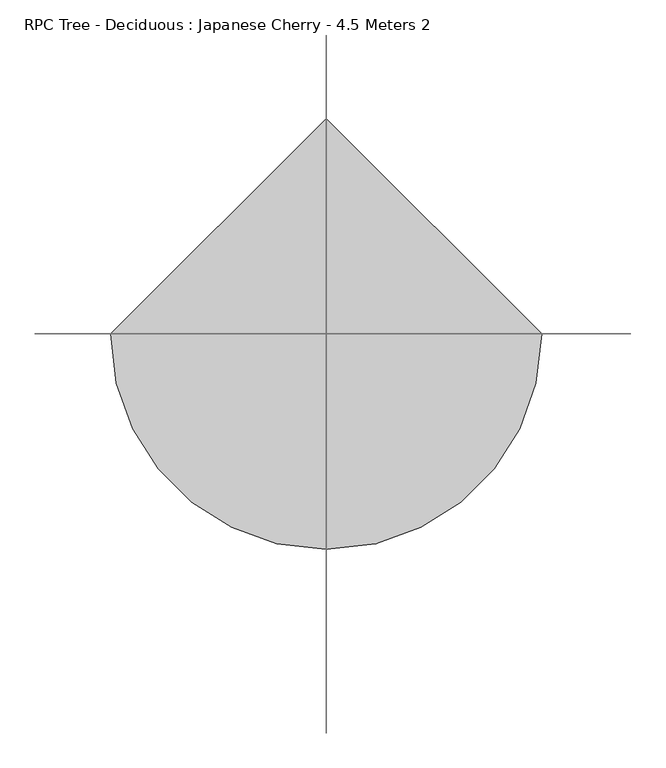
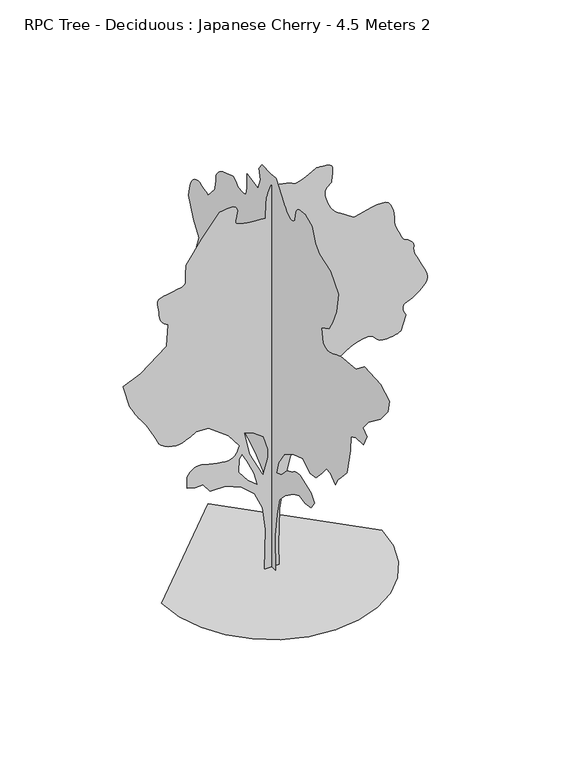
"""IFC4 building model written with IfcOpenShell, lengths in millimetres: geographic element geometry, RPC Tree - Deciduous : Japanese Cherry - 4.5 Meters 2."""

from ifc_helpers import new_model, si_unit, origin, place, context, project, spatial, triangles, source, transform, mapped, element, save


def rpc_tree_deciduous_japanese_cherry_4_5_meters_2_7aaeb41d(model_context):
    return source(origin(), model_context, "Body", "Tessellation", [
        triangles([(-0.0027587, 74.5725603, 0.00586), (-0.0027587, -72.0943095, 0.00586), (-0.0027587, -58.7610481, 393.3378007), (-0.0027587, -98.7608322, 653.338028), (-0.0027587, -145.4276149, 853.3381748), (-0.0027587, -252.0952047, 966.670792), (-0.0027587, -412.0928332, 1080.00588), (-0.0027587, -518.7604139, 1126.6709095), (-0.0027587, -625.428031, 1106.6708948), (-0.0027587, -738.7605755, 1126.6709095), (-0.0027587, -798.7606195, 1213.3385118), (-0.0027587, -738.7605755, 1293.3384979), (-0.0027587, -525.4279212, 1366.6710857), (-0.0027587, -506.885412, 1365.1761189), (-0.0027587, -488.5178922, 1363.2711479), (-0.0027587, -470.5003873, 1360.5486397), (-0.0027587, -453.0078504, 1356.6035316), (-0.0027587, -436.2153434, 1351.0261105), (-0.0027587, -420.2953485, 1343.4060814), (-0.0027587, -405.4278331, 1333.3385273), (-0.0027587, -390.5578105, 1322.4935497), (-0.0027587, -374.6402864, 1312.6960373), (-0.0027587, -357.8477795, 1303.7760876), (-0.0027587, -340.3552789, 1295.553479), (-0.0027587, -322.337774, 1287.8585999), (-0.0027587, -303.9702541, 1280.5110832), (-0.0027587, -285.4277268, 1273.3385559), (-0.0027587, -185.427399, 1166.6709389), (-0.0027587, -85.4275708, 1126.6709095), (-0.0027587, -125.4276002, 1266.671085), (-0.0027587, -238.7606988, 1433.3386734), (-0.0027587, -398.7603258, 1533.3386742), (-0.0027587, -585.4279653, 1593.3387909), (-0.0027587, -718.7605608, 1506.6712612), (-0.0027587, -825.4281778, 1520.0062031), (-0.0027587, -938.7607224, 1640.0038204), (-0.0027587, -1025.4283247, 1746.6714375), (-0.0027587, -1105.4259127, 1740.0039665), (-0.0027587, -1192.0934423, 1660.0063786), (-0.0027587, -1245.4260155, 1753.3389084), (-0.0027587, -1305.4259869, 1820.0040253), (-0.0027587, -1412.0936039, 1933.3391132), (-0.0027587, -1478.7587208, 2233.3392609), (-0.0027587, -1485.4261917, 2393.3393784), (-0.0027587, -1578.7613377, 2433.336937), (-0.0027587, -1725.426368, 2446.6718788), (-0.0027587, -1785.4264847, 2573.3269386), (-0.0027587, -1712.0938969, 2633.3270554), (-0.0027587, -1812.0938976, 2753.3272888), (-0.0027587, -2038.759132, 2926.6774635), (-0.0027587, -2185.4267784, 3100.0026398), (-0.0027587, -2212.0917206, 3240.0025246), (-0.0027587, -2045.4266029, 3333.3276421), (-0.0027587, -1738.758839, 3346.6776993), (-0.0027587, -1585.4263378, 3226.6774658), (-0.0027587, -1292.0935158, 3193.3274666), (-0.0027587, -1252.2485641, 3177.7025482), (-0.0027587, -1213.3385118, 3162.6025978), (-0.0027587, -1176.2909185, 3148.5525833), (-0.0027587, -1142.0459158, 3136.0774727), (-0.0027587, -1111.5309179, 3125.7025246), (-0.0027587, -1085.6808969, 3117.9524162), (-0.0027587, -1065.4258833, 3113.3274078), (-0.0027587, -1047.2933418, 3113.0774231), (-0.0027587, -1028.108321, 3117.0274727), (-0.0027587, -1009.2758223, 3123.6526497), (-0.0027587, -992.1908186, 3131.4524643), (-0.0027587, -978.255768, 3138.9025909), (-0.0027587, -968.8682596, 3144.4775414), (-0.0027587, -965.4258099, 3146.6774071), (-0.0027587, -932.0932514, 3306.6778152), (-0.0027587, -1072.0933542, 3380.0027), (-0.0027587, -1138.7609419, 3486.6778748), (-0.0027587, -1212.093457, 3660.003051), (-0.0027587, -1252.0934864, 3880.0029945), (-0.0027587, -1098.7609125, 4053.3281708), (-0.0027587, -898.760693, 4126.6783447), (-0.0027587, -818.7606342, 4200.0035202), (-0.0027587, -758.7605902, 4360.0036377), (-0.0027587, -618.7604874, 4413.3285805), (-0.0027587, -595.9604982, 4413.2285866), (-0.0027587, -573.5129585, 4412.5536278), (-0.0027587, -551.7629416, 4410.70345), (-0.0027587, -531.0629333, 4407.1286682), (-0.0027587, -511.7629123, 4401.17845), (-0.0027587, -494.2128934, 4392.3534073), (-0.0027587, -478.7603846, 4380.0035797), (-0.0027587, -466.2228868, 4364.5536507), (-0.0027587, -456.8353784, 4347.0035591), (-0.0027587, -450.0728551, 4327.7035744), (-0.0027587, -445.4078419, 4307.0033844), (-0.0027587, -442.3178415, 4285.2535492), (-0.0027587, -440.2753427, 4262.803466), (-0.0027587, -438.7603552, 4240.0034042), (-0.0027587, -427.2553525, 4227.3033073), (-0.0027587, -415.2803204, 4215.6034401), (-0.0027587, -402.3753304, 4205.9034508), (-0.0027587, -388.070317, 4199.1532814), (-0.0027587, -371.9003011, 4196.3784508), (-0.0027587, -353.3952896, 4198.553318), (-0.0027587, -332.0927745, 4206.6784035), (-0.0027587, -310.9852693, 4218.4782646), (-0.0027587, -293.0277353, 4231.0033722), (-0.0027587, -277.6927156, 4244.1034447), (-0.0027587, -264.4552061, 4257.6784882), (-0.0027587, -252.7927094, 4271.5785118), (-0.0027587, -242.1814384, 4285.7285202), (-0.0027587, -232.0939364, 4300.003521), (-0.0027587, -138.7608616, 4426.6786377), (-0.0027587, -78.7608175, 4500.0035225), (-0.0027587, 21.2393172, 4493.3286392), (-0.0027587, 181.2391554, 4500.0035225), (-0.0027587, 241.2389451, 4420.0034637), (-0.0027587, 214.5724224, 4306.6784042), (-0.0027587, 261.2402133, 4180.0032875), (-0.0027587, 467.9053785, 4220.0034622), (-0.0027587, 467.9053785, 4073.3284035), (-0.0027587, 469.4403866, 4050.6283356), (-0.0027587, 471.6178699, 4028.7032204), (-0.0027587, 475.0778695, 4008.4282951), (-0.0027587, 480.4628969, 3990.6282188), (-0.0027587, 488.4103769, 3976.0532364), (-0.0027587, 499.5679081, 3965.5782944), (-0.0027587, 514.5729152, 3960.0030533), (-0.0027587, 531.7154371, 3957.9281799), (-0.0027587, 548.8579591, 3957.2532211), (-0.0027587, 566.0004447, 3957.7281921), (-0.0027587, 583.1429667, 3959.1531052), (-0.0027587, 600.2854886, 3961.2782661), (-0.0027587, 617.4304813, 3963.853109), (-0.0027587, 634.5730396, 3966.6782272), (-0.0027587, 650.2955538, 3982.2281502), (-0.0027587, 666.0780207, 3996.928125), (-0.0027587, 681.9780676, 4009.8782066), (-0.0027587, 698.0505604, 4020.2031578), (-0.0027587, 714.3580679, 4027.0283226), (-0.0027587, 730.9580721, 4029.4781731), (-0.0027587, 747.9055841, 4026.678344), (-0.0027587, 927.9057163, 3966.6782272), (-0.0027587, 953.4457998, 3949.4781143), (-0.0027587, 977.9358021, 3931.9283134), (-0.0027587, 1000.3257872, 3913.6782646), (-0.0027587, 1019.5682899, 3894.3782799), (-0.0027587, 1034.6108311, 3873.6780899), (-0.0027587, 1044.4058727, 3851.2280067), (-0.0027587, 1047.9058771, 3826.6780518), (-0.0027587, 1048.6833733, 3801.5281334), (-0.0027587, 1050.8608566, 3777.4531494), (-0.0027587, 1054.2033852, 3754.253112), (-0.0027587, 1058.4783422, 3731.7530319), (-0.0027587, 1063.4533293, 3709.7529213), (-0.0027587, 1068.895875, 3688.1280785), (-0.0027587, 1074.570892, 3666.6779343), (-0.0027587, 1201.238451, 3526.6777588), (-0.0027587, 1239.7609543, 3543.5528915), (-0.0027587, 1277.9935043, 3558.9278252), (-0.0027587, 1315.641061, 3571.2779434), (-0.0027587, 1352.4135258, 3579.077758), (-0.0027587, 1388.0210907, 3580.8029434), (-0.0027587, 1422.1711864, 3574.9530098), (-0.0027587, 1454.5712437, 3560.0027596), (-0.0027587, 1482.6961258, 3536.9027161), (-0.0027587, 1504.8736965, 3508.1777252), (-0.0027587, 1522.093721, 3474.8027275), (-0.0027587, 1535.3487259, 3437.7026665), (-0.0027587, 1545.6312378, 3397.8027763), (-0.0027587, 1553.9313126, 3356.02771), (-0.0027587, 1561.2387154, 3313.3277), (-0.0027587, 1474.5711857, 3086.677581), (-0.0027587, 1367.9060394, 2940.0022316), (-0.0027587, 1454.5712437, 2700.0020554), (-0.0027587, 1374.5710396, 2573.3269386), (-0.0027587, 1341.9185268, 2561.8270592), (-0.0027587, 1310.4910847, 2549.851918), (-0.0027587, 1281.5110222, 2536.952124), (-0.0027587, 1256.2035553, 2522.6521248), (-0.0027587, 1235.7959347, 2506.4769493), (-0.0027587, 1221.5110508, 2487.9745903), (-0.0027587, 1214.5709948, 2466.6721115), (-0.0027587, 1212.2984591, 2444.0095413), (-0.0027587, 1211.0734612, 2421.694479), (-0.0027587, 1210.7234825, 2399.6744568), (-0.0027587, 1211.0734612, 2377.8869785), (-0.0027587, 1211.9484804, 2356.2718735), (-0.0027587, 1213.1734783, 2334.7768192), (-0.0027587, 1214.5709948, 2313.3368488), (-0.0027587, 1187.9059799, 2206.6718479), (-0.0027587, 1001.2383041, 2226.6717899), (-0.0027587, 985.728277, 2195.3792233), (-0.0027587, 971.4433205, 2164.9017231), (-0.0027587, 959.6057436, 2136.0592976), (-0.0027587, 951.4432331, 2109.6642517), (-0.0027587, 948.1782434, 2086.536739), (-0.0027587, 951.0357725, 2067.486739), (-0.0027587, 961.2382748, 2053.3392014), (-0.0027587, 977.7782536, 2041.5992203), (-0.0027587, 998.0507807, 2029.6266953), (-0.0027587, 1020.8883402, 2018.0041489), (-0.0027587, 1045.1258142, 2007.3141037), (-0.0027587, 1069.5958323, 1998.1390823), (-0.0027587, 1093.133349, 1991.0640781), (-0.0027587, 1114.5709213, 1986.6716137), (-0.0027587, 1133.9884134, 1982.8416149), (-0.0027587, 1152.3558969, 1977.2640484), (-0.0027587, 1169.8484339, 1970.229158), (-0.0027587, 1186.6409409, 1962.0266064), (-0.0027587, 1202.9109507, 1952.9491081), (-0.0027587, 1218.828511, 1943.2890873), (-0.0027587, 1234.5710094, 1933.3391132), (-0.0027587, 1387.9061268, 2013.339172), (-0.0027587, 1431.9861397, 2024.5916828), (-0.0027587, 1474.8436981, 2034.7965832), (-0.0027587, 1515.2512608, 2042.9016117), (-0.0027587, 1551.9862278, 2047.8566872), (-0.0027587, 1583.8238194, 2048.6141991), (-0.0027587, 1609.5388195, 2044.1266823), (-0.0027587, 1627.9038322, 2033.339114), (-0.0027587, 1640.0538174, 2017.6916679), (-0.0027587, 1648.351276, 1999.5965515), (-0.0027587, 1653.4438431, 1979.4615887), (-0.0027587, 1655.9713051, 1957.6915512), (-0.0027587, 1656.5738846, 1934.6990593), (-0.0027587, 1655.8938389, 1910.8890301), (-0.0027587, 1654.5713905, 1886.6714676), (-0.0027587, 1631.6563648, 1862.5890713), (-0.0027587, 1608.3913605, 1839.7339256), (-0.0027587, 1584.4262535, 1819.3239796), (-0.0027587, 1559.4112106, 1802.5889545), (-0.0027587, 1532.9962532, 1790.7539211), (-0.0027587, 1504.833728, 1785.0390083), (-0.0027587, 1474.5711857, 1786.6714668), (-0.0027587, 1442.5211071, 1793.7065025), (-0.0027587, 1410.0036152, 1802.1439236), (-0.0027587, 1378.1860806, 1810.1114605), (-0.0027587, 1348.2360191, 1815.7489071), (-0.0027587, 1321.3160053, 1817.1864647), (-0.0027587, 1298.5960258, 1812.5614563), (-0.0027587, 1281.2385098, 1800.0039379), (-0.0027587, 1268.1185257, 1783.8339947), (-0.0027587, 1257.0985588, 1769.4114738), (-0.0027587, 1247.8260143, 1756.448893), (-0.0027587, 1239.9560005, 1744.6513573), (-0.0027587, 1233.1334518, 1733.7264427), (-0.0027587, 1227.0110058, 1723.3863762), (-0.0027587, 1221.2385384, 1713.338879), (-0.0027587, 1243.9585178, 1710.3264175), (-0.0027587, 1265.8635761, 1706.3813095), (-0.0027587, 1286.1360306, 1700.5688736), (-0.0027587, 1303.9584892, 1691.958934), (-0.0027587, 1318.5160309, 1679.6163734), (-0.0027587, 1328.993589, 1662.608836), (-0.0027587, 1334.5710102, 1640.0038204), (-0.0027587, 1336.8460167, 1613.5138676), (-0.0027587, 1338.0710873, 1585.6212387), (-0.0027587, 1338.4210659, 1556.56371), (-0.0027587, 1338.0710873, 1526.5736801), (-0.0027587, 1337.1961407, 1495.8836929), (-0.0027587, 1335.9710701, 1464.7286179), (-0.0027587, 1334.5710102, 1433.3386734), (-0.0027587, 1300.3260075, 1407.8185741), (-0.0027587, 1266.3110779, 1383.4636654), (-0.0027587, 1232.7635616, 1361.4436432), (-0.0027587, 1199.9160027, 1342.9210819), (-0.0027587, 1168.0034157, 1329.0636429), (-0.0027587, 1137.2534031, 1321.0360806), (-0.0027587, 1107.9059212, 1320.0060562), (-0.0027587, 1078.5558958, 1323.638538), (-0.0027587, 1047.808354, 1328.6735504), (-0.0027587, 1015.8932962, 1334.873608), (-0.0027587, 983.0458099, 1342.0060215), (-0.0027587, 949.4982937, 1349.8411537), (-0.0027587, 915.4857622, 1358.1386124), (-0.0027587, 881.238216, 1366.6710857), (-0.0027587, 681.2380692, 1320.0060562), (-0.0027587, 447.9053638, 1200.0059681), (-0.0027587, 314.5727683, 1126.6709095), (-0.0027587, 161.2391225, 1000.0058212), (-0.0027587, 67.905807, 806.6731453), (-0.0027587, 41.2392842, 533.3379398), (-0.0027587, 67.905807, 260.0052052), (78.9470616, 0.0002511, 0.0), (-81.0528197, 0.0002511, 0.0), (-67.7195538, 0.0002197, 453.3328669), (-101.05258, 0.0001988, 713.3330578), (-187.7194103, 0.0001884, 899.9982628), (-327.7202579, 0.0001884, 1026.6658218), (-501.0529192, 0.0001779, 1099.9984097), (-667.7180368, 0.0001779, 1099.9984097), (-747.720639, 0.0001779, 1199.9984831), (-834.3856979, 0.0001779, 1199.9984831), (-921.0532276, 0.0001779, 1219.9984978), (-921.0532276, 0.0001674, 1346.6660568), (-903.7932346, 0.0001674, 1369.3085701), (-885.8332117, 0.0001674, 1390.6686035), (-866.4756723, 0.000157, 1409.4636772), (-845.0181885, 0.000157, 1424.411166), (-820.7606575, 0.000157, 1434.2261192), (-793.0056656, 0.000157, 1437.6286732), (-761.0531101, 0.000157, 1433.3335865), (-723.1130568, 0.000157, 1423.7311203), (-679.5755253, 0.000157, 1412.8461742), (-633.0054754, 0.0001674, 1401.8461189), (-585.970483, 0.0001674, 1391.8936741), (-541.032928, 0.0001674, 1384.1586811), (-500.7604225, 0.0001674, 1379.803569), (-467.71789, 0.0001674, 1379.9986153), (-441.4803563, 0.0001674, 1385.9661289), (-419.4403499, 0.0001674, 1397.5311207), (-400.8978407, 0.000157, 1413.7610893), (-385.1527988, 0.000157, 1433.7212082), (-371.5103176, 0.000157, 1456.4811562), (-359.2652802, 0.000157, 1481.1062519), (-347.7202726, 0.000157, 1506.6661743), (-467.71789, 0.0001465, 1666.6662918), (-687.7180515, 0.000136, 1826.6664093), (-821.0531542, 0.000136, 1833.3314095), (-842.5681927, 0.000136, 1820.5039948), (-864.6081991, 0.000136, 1807.851424), (-887.7006849, 0.000136, 1795.5489773), (-912.3632057, 0.000136, 1783.7688824), (-939.1282871, 0.000136, 1772.6913609), (-968.5158102, 0.000136, 1762.4864605), (-1001.0532864, 0.0001465, 1753.3313507), (-1038.4858126, 0.0001465, 1750.1639568), (-1080.1183731, 0.0001465, 1756.5589153), (-1122.8009422, 0.000136, 1770.6488983), (-1163.385965, 0.000136, 1790.5713741), (-1198.7209448, 0.000136, 1814.4590149), (-1225.6584721, 0.000136, 1840.4465275), (-1241.0509918, 0.000136, 1866.6664387), (-1254.4834568, 0.000136, 1899.3565945), (-1275.8434902, 0.0001256, 1942.8940533), (-1302.4510231, 0.0001256, 1992.6141289), (-1331.6261318, 0.0001256, 2043.8466122), (-1360.6836605, 0.0001256, 2091.9317585), (-1386.9410694, 0.0001151, 2132.204155), (-1407.7185802, 0.0001151, 2159.9992607), (-1425.2510857, 0.0001151, 2182.1367176), (-1443.4812229, 0.0001151, 2208.1242302), (-1462.2962082, 0.0001151, 2237.3167797), (-1481.576136, 0.0001151, 2269.0742889), (-1501.2061878, 0.0001046, 2302.7592968), (-1521.0712543, 0.0001046, 2337.7244591), (-1541.0512848, 0.0001046, 2373.3318787), (-1614.3863434, 9.42e-05, 2626.6771706), (-1421.0511967, 8.37e-05, 2706.6772293), (-1141.0533892, 7.32e-05, 2926.6774635), (-1127.7183746, 5.23e-05, 3166.6526413), (-1147.5834412, 5.23e-05, 3181.0776329), (-1166.6309704, 5.23e-05, 3196.1775833), (-1184.0459684, 5.23e-05, 3212.677739), (-1199.0109707, 5.23e-05, 3231.2774757), (-1210.7109833, 5.23e-05, 3252.677623), (-1218.3310123, 5.23e-05, 3277.5775566), (-1221.0535206, 5.23e-05, 3306.6525261), (-1223.4635479, 4.19e-05, 3339.402562), (-1228.9034775, 4.19e-05, 3373.552803), (-1234.6960018, 4.19e-05, 3407.2527809), (-1238.155965, 4.19e-05, 3438.6029022), (-1236.6009727, 4.19e-05, 3465.7526985), (-1227.3484852, 4.19e-05, 3486.8278656), (-1207.7185061, 4.19e-05, 3500.0029335), (-1173.335939, 4.19e-05, 3508.2777191), (-1126.1258846, 3.14e-05, 3516.4528015), (-1072.8508661, 3.14e-05, 3525.1778503), (-1020.2758049, 3.14e-05, 3535.2278183), (-975.1632969, 3.14e-05, 3547.2279579), (-944.2782635, 3.14e-05, 3561.9279327), (-934.3857714, 3.14e-05, 3580.0029922), (-936.4657316, 3.14e-05, 3601.7528275), (-937.1457773, 3.14e-05, 3626.6530518), (-936.6582344, 3.14e-05, 3654.1778252), (-935.2407337, 3.14e-05, 3683.7780533), (-933.1232758, 2.09e-05, 3714.9778931), (-930.5382591, 2.09e-05, 3747.2279594), (-927.7182278, 2.09e-05, 3780.0029938), (-761.0531101, 1.05e-05, 4020.00317), (-567.7204705, -1.05e-05, 4260.0033463), (-526.5729095, -1.05e-05, 4266.8535095), (-487.1179049, -1.05e-05, 4272.0284843), (-451.042854, -1.05e-05, 4273.8283745), (-420.0428567, -1.05e-05, 4270.5285759), (-395.80531, -1.05e-05, 4260.4783173), (-380.0228067, -1.05e-05, 4241.9782837), (-374.3852875, 0.0, 4213.3282883), (-377.165314, 0.0, 4181.0535141), (-383.5603088, 0.0, 4152.6032158), (-390.6553336, 0.0, 4127.8032761), (-395.5328339, 0.0, 4106.3534225), (-395.2803057, 0.0, 4088.0533768), (-386.9803036, 0.0, 4072.6781525), (-367.7202873, 0.0, 4060.0033447), (-338.5077899, 0.0, 4049.7283905), (-302.995241, 0.0, 4041.5783066), (-262.2377179, 1.05e-05, 4035.1531174), (-217.282177, 1.05e-05, 4030.1531319), (-169.1771373, 1.05e-05, 4026.1783745), (-118.9730978, 1.05e-05, 4022.9032837), (-67.7195538, 1.05e-05, 4020.00317), (-61.0525507, 0.0, 4200.0035202), (-59.4975493, -1.05e-05, 4225.5284157), (-55.1437952, -1.05e-05, 4250.678334), (-48.4577889, -1.05e-05, 4275.5535599), (-39.9057809, -1.05e-05, 4300.2035088), (-29.954274, -1.05e-05, 4324.6784683), (-19.070066, -1.05e-05, 4349.0284355), (-7.719256, -1.05e-05, 4373.3284058), (37.7812808, -1.05e-05, 4364.72864), (81.9990646, -1.05e-05, 4356.0285896), (123.6511007, -1.05e-05, 4347.103553), (161.4548797, -1.05e-05, 4337.8035393), (194.127413, -1.05e-05, 4328.053553), (220.3859302, -1.05e-05, 4317.7036034), (238.9474425, -1.05e-05, 4306.6534058), (263.1077047, -1.05e-05, 4303.4286026), (302.4252358, -1.05e-05, 4313.503569), (350.0252918, -1.05e-05, 4332.2035904), (399.0253169, -1.05e-05, 4354.8786598), (442.5428641, -1.05e-05, 4376.8284828), (473.6978665, -2.09e-05, 4393.4286324), (485.6129096, -2.09e-05, 4400.0035217), (495.2154121, -2.09e-05, 4400.2035095), (519.9779268, -2.09e-05, 4399.9285263), (553.8354532, -2.09e-05, 4397.9036499), (590.7254617, -2.09e-05, 4392.8536674), (624.5830244, -1.05e-05, 4383.4786583), (649.3455391, -1.05e-05, 4368.5034096), (658.9480053, -1.05e-05, 4346.6535805), (658.5580582, -1.05e-05, 4321.3283821), (657.4705519, -1.05e-05, 4296.7034317), (655.7980522, -1.05e-05, 4272.6784447), (653.6605373, -1.05e-05, 4249.1034302), (651.1730438, -1.05e-05, 4225.8783943), (648.4505356, 0.0, 4202.8783447), (645.6129908, 0.0, 4180.0032875), (628.6255102, 0.0, 4167.0034996), (612.5730017, 0.0, 4153.2784653), (598.3829885, 0.0, 4138.0032349), (586.992986, 0.0, 4120.4784325), (579.3354592, 0.0, 4099.9282333), (576.342982, 0.0, 4075.5782661), (578.9479829, 0.0, 4046.6532875), (586.2154899, 1.05e-05, 4014.6032089), (596.2829713, 1.05e-05, 3981.953167), (608.6854846, 1.05e-05, 3949.7530975), (622.9504932, 1.05e-05, 3919.0782257), (638.6155254, 1.05e-05, 3890.9781967), (655.2155296, 1.05e-05, 3866.4782387), (672.280549, 2.09e-05, 3846.6529953), (692.3380457, 2.09e-05, 3828.553228), (717.6455853, 2.09e-05, 3808.6779877), (747.3231342, 2.09e-05, 3787.3531265), (780.5031584, 2.09e-05, 3764.8780449), (816.3031534, 2.09e-05, 3741.5030182), (853.853187, 2.09e-05, 3717.5780251), (892.2807106, 2.09e-05, 3693.3280518), (959.140801, 2.09e-05, 3711.6280975), (1024.3108057, 2.09e-05, 3728.2279564), (1086.098386, 2.09e-05, 3741.4280228), (1142.8159269, 2.09e-05, 3749.5781067), (1192.7659304, 2.09e-05, 3750.9530228), (1234.2634701, 2.09e-05, 3743.8781639), (1265.6135914, 2.09e-05, 3726.6530525), (1288.19855, 2.09e-05, 3698.6530174), (1305.0685959, 3.14e-05, 3662.6028923), (1317.0411209, 3.14e-05, 3621.8780525), (1324.9335171, 3.14e-05, 3579.8779999), (1329.5585255, 3.14e-05, 3539.9778191), (1331.7360088, 4.19e-05, 3505.5528854), (1332.2810337, 4.19e-05, 3480.0027008), (1337.451067, 4.19e-05, 3452.7529106), (1350.7835381, 4.19e-05, 3414.6526199), (1369.0136753, 4.19e-05, 3371.2026558), (1388.8785965, 5.23e-05, 3327.8526855), (1407.1112045, 5.23e-05, 3290.1026642), (1420.4436756, 5.23e-05, 3263.4275482), (1425.6137089, 5.23e-05, 3253.3275833), (1432.59119, 5.23e-05, 3250.5527527), (1450.4136486, 5.23e-05, 3242.5276611), (1474.4187241, 5.23e-05, 3229.7275703), (1499.938678, 5.23e-05, 3212.6024529), (1522.3086788, 5.23e-05, 3191.6275703), (1536.8662205, 5.23e-05, 3167.2776031), (1538.9461807, 6.28e-05, 3140.0025238), (1536.3412525, 6.28e-05, 3112.1024826), (1539.3362732, 6.28e-05, 3085.0273911), (1546.9938, 6.28e-05, 3057.9525902), (1558.3838024, 6.28e-05, 3030.0775475), (1572.5713085, 6.28e-05, 3000.5523148), (1588.6262878, 7.32e-05, 2968.5775223), (1605.6137684, 7.32e-05, 2933.3273483), (1625.0112762, 7.32e-05, 2895.102356), (1646.5088013, 7.32e-05, 2855.2271736), (1666.4888317, 7.32e-05, 2814.5523308), (1681.3363266, 8.37e-05, 2773.8771973), (1687.4413319, 8.37e-05, 2734.0023056), (1681.1813942, 8.37e-05, 2695.7773132), (1658.9462688, 8.37e-05, 2660.0021713), (1628.9963528, 9.42e-05, 2628.8270393), (1601.3762363, 9.42e-05, 2603.2521469), (1575.1563251, 9.42e-05, 2582.3269707), (1549.4036819, 9.42e-05, 2565.1521469), (1523.1837708, 9.42e-05, 2550.7771523), (1495.5662704, 9.42e-05, 2538.2520447), (1465.6137383, 9.42e-05, 2526.6771698), (1440.211219, 9.42e-05, 2513.3021141), (1425.6512066, 9.42e-05, 2496.4220398), (1420.1311947, 9.42e-05, 2476.6369102), (1421.8435902, 0.0001046, 2454.5170395), (1428.976149, 0.0001046, 2430.6494556), (1439.7236034, 0.0001046, 2405.616972), (1452.2811218, 0.0001046, 2379.9993496), (1398.9461506, 0.0001151, 2213.3317612), (1380.1910454, 0.0001151, 2204.8392563), (1360.3261242, 0.0001151, 2196.8118393), (1338.2460766, 0.0001151, 2189.7167782), (1312.8435574, 0.0001151, 2184.021777), (1283.0086052, 0.0001151, 2180.194249), (1247.6334389, 0.0001151, 2178.6968113), (1205.6134747, 0.0001151, 2179.9992027), (1167.8684675, 0.0001151, 2188.6467854), (1142.0184465, 0.0001151, 2205.9268353), (1121.9983749, 0.0001151, 2227.4043034), (1101.7459047, 0.0001151, 2248.6467567), (1075.1958538, 0.0001151, 2265.2268494), (1036.2833307, 0.0001151, 2272.7093868), (978.9457695, 0.0001151, 2266.6642616), (912.6507608, 0.0001151, 2247.8318356), (851.8331795, 0.0001151, 2221.3017689), (797.8981722, 0.0001151, 2189.1717533), (752.2406393, 0.0001151, 2153.5467476), (716.2655823, 0.0001151, 2116.5192112), (691.365576, 0.0001256, 2080.1942482), (678.94802, 0.0001256, 2046.6666435), (678.6755802, 0.0001256, 2016.7915775), (688.1980368, 0.0001256, 1989.7166313), (705.8855473, 0.0001256, 1964.9741009), (730.1031097, 0.0001256, 1942.0990437), (759.2181204, 0.000136, 1920.6215755), (791.6006641, 0.000136, 1900.0764633), (825.6131956, 0.000136, 1879.9990551), (845.4582052, 0.000136, 1867.0540604), (864.3707136, 0.000136, 1853.5839523), (881.4156761, 0.000136, 1839.0665245), (895.6632076, 0.000136, 1822.9739021), (906.1782635, 0.000136, 1804.7814079), (912.0282698, 0.000136, 1783.9639286), (912.2807253, 0.000136, 1759.998967), (909.6182425, 0.0001465, 1730.7863605), (907.3057383, 0.0001465, 1695.2763187), (905.28326, 0.0001465, 1654.5187775), (903.4957237, 0.0001465, 1609.5613472), (901.880706, 0.000157, 1561.4562893), (900.3857391, 0.000157, 1511.253685), (898.9457108, 0.000157, 1459.998674), (864.6231691, 0.000157, 1434.5760979), (830.0656855, 0.000157, 1410.9037056), (795.0406431, 0.0001674, 1390.7286289), (759.3156435, 0.0001674, 1375.8010517), (722.6606134, 0.0001674, 1367.8711578), (684.835524, 0.0001674, 1368.686079), (645.6129908, 0.0001674, 1379.9986153), (606.1979911, 0.0001674, 1395.0036587), (567.8304565, 0.0001674, 1406.1611172), (530.3354342, 0.000157, 1414.1112133), (493.5429125, 0.000157, 1419.4935883), (457.2753588, 0.000157, 1422.9536968), (421.3578564, 0.000157, 1425.1311802), (385.6127998, 0.000157, 1426.6661156), (272.280219, 0.0001674, 1353.3335278), (198.9474132, 0.0001779, 1186.6659393), (125.6138534, 0.0001884, 906.6657337), (85.6140693, 0.0002093, 633.332999), (72.2805581, 0.0002302, 233.3331958), (-94.386072, 8.37e-05, 1079.998395), (-41.0527812, 7.32e-05, 1266.6659981), (-41.0527812, 6.28e-05, 1359.9985279), (-87.7190734, 5.23e-05, 1519.9987907), (-207.7189163, 5.23e-05, 1606.6663204), (-301.052736, 5.23e-05, 1639.9988789), (-241.0526919, 6.28e-05, 1373.3336151), (-154.3856164, 6.28e-05, 993.3333361), (-194.385664, 6.28e-05, 1139.998439), (-267.7202139, 5.23e-05, 1299.9985565), (-321.0527507, 4.19e-05, 1399.9987026), (-354.3852728, 4.19e-05, 1353.3335278), (-361.0527801, 5.23e-05, 1206.665954), (-261.0527066, 6.28e-05, 1079.998395), (-1193.8159389, 0.0, 0.0045206), (-1162.2559467, -273.5427146, 0.0045206), (-1072.3708809, -524.7504189, 0.0045206), (-931.360738, -746.420573, 0.0045206), (-746.420573, -931.360738, 0.0045206), (-524.7504189, -1072.3708809, 0.0045206), (-273.5427146, -1162.2559467, 0.0045206), (5.22e-05, -1193.8159389, 0.0045206), (273.5427146, -1162.2559467, 0.0045206), (524.7504189, -1072.3708809, 0.0045206), (746.420573, -931.360738, 0.0045206), (931.360738, -746.420573, 0.0045206), (1072.3708809, -524.7504189, 0.0045206), (1162.2559467, -273.5427146, 0.0045206), (1193.8159389, 0.0001046, 0.0045206), (-0.0001566, 1193.8159389, 0.0045206)], [[38, 39, 40], [115, 116, 117], [1, 2, 3], [280, 1, 3], [279, 280, 3], [279, 3, 4], [278, 279, 4], [278, 4, 5], [186, 187, 188], [277, 278, 5], [46, 47, 48], [45, 46, 48], [277, 5, 6], [185, 186, 188], [10, 11, 12], [9, 10, 12], [9, 12, 13], [8, 9, 13], [8, 13, 14], [8, 14, 15], [8, 15, 16], [8, 16, 17], [8, 17, 18], [8, 18, 19], [8, 19, 20], [8, 20, 21], [7, 8, 21], [7, 21, 22], [7, 22, 23], [7, 23, 24], [7, 24, 25], [7, 25, 26], [6, 7, 26], [6, 26, 27], [6, 27, 28], [277, 6, 28], [277, 28, 29], [51, 52, 53], [50, 51, 53], [50, 53, 54], [50, 54, 55], [49, 50, 55], [49, 55, 56], [48, 49, 56], [48, 56, 57], [45, 48, 57], [44, 45, 57], [44, 57, 58], [44, 58, 59], [44, 59, 60], [44, 60, 61], [44, 61, 62], [44, 62, 63], [276, 277, 29], [276, 29, 30], [184, 185, 188], [183, 184, 188], [44, 63, 64], [115, 117, 118], [111, 112, 113], [111, 113, 114], [182, 183, 188], [109, 110, 111], [109, 111, 114], [108, 109, 114], [108, 114, 115], [107, 108, 115], [106, 107, 115], [105, 106, 115], [104, 105, 115], [115, 118, 119], [170, 171, 172], [170, 172, 173], [170, 173, 174], [170, 174, 175], [74, 75, 76], [74, 76, 77], [73, 74, 77], [72, 73, 77], [71, 72, 77], [258, 259, 260], [181, 182, 188], [78, 79, 80], [170, 175, 176], [103, 104, 115], [78, 80, 81], [44, 64, 65], [275, 276, 30], [275, 30, 31], [274, 275, 31], [78, 81, 82], [78, 82, 83], [78, 83, 84], [78, 84, 85], [78, 85, 86], [78, 86, 87], [78, 87, 88], [78, 88, 89], [78, 89, 90], [78, 90, 91], [78, 91, 92], [78, 92, 93], [78, 93, 94], [78, 94, 95], [78, 95, 96], [71, 77, 78], [71, 78, 96], [71, 96, 97], [71, 97, 98], [71, 98, 99], [71, 99, 100], [115, 119, 120], [180, 181, 188], [38, 40, 41], [223, 224, 225], [33, 34, 35], [33, 35, 36], [33, 36, 37], [102, 103, 115], [179, 180, 188], [44, 65, 66], [170, 176, 177], [71, 100, 101], [43, 44, 66], [42, 43, 66], [41, 42, 66], [38, 41, 66], [37, 38, 66], [33, 37, 66], [33, 66, 67], [33, 67, 68], [33, 68, 69], [33, 69, 70], [32, 33, 70], [31, 32, 70], [274, 31, 70], [273, 274, 70], [273, 70, 71], [273, 71, 101], [273, 101, 102], [273, 102, 115], [273, 115, 120], [273, 120, 121], [273, 121, 122], [273, 122, 123], [273, 123, 124], [273, 124, 125], [273, 125, 126], [273, 126, 127], [273, 127, 128], [273, 128, 129], [273, 129, 130], [273, 130, 131], [272, 273, 131], [271, 272, 131], [270, 271, 131], [269, 270, 131], [268, 269, 131], [268, 131, 132], [268, 132, 133], [268, 133, 134], [167, 168, 169], [257, 258, 260], [257, 260, 261], [256, 257, 261], [256, 261, 262], [255, 256, 262], [255, 262, 263], [254, 255, 263], [254, 263, 264], [254, 264, 265], [254, 265, 266], [254, 266, 267], [254, 267, 268], [253, 254, 268], [252, 253, 268], [251, 252, 268], [250, 251, 268], [249, 250, 268], [248, 249, 268], [247, 248, 268], [246, 247, 268], [245, 246, 268], [166, 167, 169], [165, 166, 169], [164, 165, 169], [163, 164, 169], [162, 163, 169], [161, 162, 169], [160, 161, 169], [159, 160, 169], [158, 159, 169], [157, 158, 169], [156, 157, 169], [155, 156, 169], [154, 155, 169], [154, 169, 170], [154, 170, 177], [153, 154, 177], [153, 177, 178], [153, 178, 179], [153, 179, 188], [222, 223, 225], [222, 225, 226], [221, 222, 226], [220, 221, 226], [219, 220, 226], [218, 219, 226], [217, 218, 226], [216, 217, 226], [215, 216, 226], [214, 215, 226], [213, 214, 226], [212, 213, 226], [212, 226, 227], [212, 227, 228], [212, 228, 229], [212, 229, 230], [212, 230, 231], [211, 212, 231], [211, 231, 232], [211, 232, 233], [210, 211, 233], [209, 210, 233], [209, 233, 234], [209, 234, 235], [209, 235, 236], [209, 236, 237], [209, 237, 238], [209, 238, 239], [209, 239, 240], [208, 209, 240], [208, 240, 241], [207, 208, 241], [206, 207, 241], [206, 241, 242], [205, 206, 242], [204, 205, 242], [204, 242, 243], [203, 204, 243], [202, 203, 243], [202, 243, 244], [201, 202, 244], [201, 244, 245], [201, 245, 268], [200, 201, 268], [199, 200, 268], [198, 199, 268], [197, 198, 268], [196, 197, 268], [195, 196, 268], [194, 195, 268], [153, 188, 189], [153, 189, 190], [152, 153, 190], [152, 190, 191], [151, 152, 191], [136, 137, 138], [135, 136, 138], [135, 138, 139], [134, 135, 139], [134, 139, 140], [134, 140, 141], [134, 141, 142], [134, 142, 143], [134, 143, 144], [134, 144, 145], [134, 145, 146], [134, 146, 147], [134, 147, 148], [134, 148, 149], [134, 149, 150], [134, 150, 151], [134, 151, 191], [134, 191, 192], [134, 192, 193], [268, 134, 193], [194, 268, 193], [583, 580, 581], [574, 281, 575], [580, 583, 584], [573, 574, 575], [583, 581, 575], [580, 584, 585], [572, 573, 575], [582, 583, 575], [582, 575, 281], [571, 572, 575], [571, 575, 576], [281, 282, 283], [570, 571, 576], [570, 576, 577], [344, 345, 346], [290, 291, 292], [406, 407, 408], [570, 577, 578], [290, 292, 293], [289, 290, 293], [289, 293, 294], [289, 294, 295], [289, 295, 296], [289, 296, 297], [289, 297, 298], [289, 298, 299], [289, 299, 300], [289, 300, 301], [289, 301, 302], [289, 302, 303], [288, 289, 303], [287, 288, 303], [287, 303, 304], [287, 304, 305], [287, 305, 306], [286, 287, 306], [286, 306, 307], [286, 307, 308], [286, 308, 309], [569, 570, 578], [554, 555, 556], [405, 406, 408], [343, 344, 346], [512, 513, 514], [511, 512, 514], [511, 514, 515], [511, 515, 516], [511, 516, 517], [510, 511, 517], [510, 517, 518], [510, 518, 519], [510, 519, 520], [510, 520, 521], [510, 521, 522], [510, 522, 523], [510, 523, 524], [509, 510, 524], [509, 524, 525], [508, 509, 525], [434, 435, 436], [342, 343, 346], [507, 508, 525], [507, 525, 526], [405, 408, 409], [404, 405, 409], [403, 404, 409], [403, 409, 410], [402, 403, 410], [401, 402, 410], [400, 401, 410], [400, 410, 411], [399, 400, 411], [399, 411, 412], [399, 412, 413], [399, 413, 414], [399, 414, 415], [377, 378, 379], [341, 342, 346], [341, 346, 347], [340, 341, 347], [339, 340, 347], [338, 339, 347], [337, 338, 347], [336, 337, 347], [335, 336, 347], [334, 335, 347], [333, 334, 347], [377, 379, 380], [377, 380, 381], [377, 381, 382], [377, 382, 383], [377, 383, 384], [377, 384, 385], [377, 385, 386], [377, 386, 387], [377, 387, 388], [377, 388, 389], [377, 389, 390], [377, 390, 391], [376, 377, 391], [376, 391, 392], [375, 376, 392], [374, 375, 392], [373, 374, 392], [372, 373, 392], [372, 392, 393], [371, 372, 393], [370, 371, 393], [369, 370, 393], [369, 393, 394], [369, 394, 395], [369, 395, 396], [332, 333, 347], [369, 396, 397], [426, 427, 428], [426, 428, 429], [425, 426, 429], [425, 429, 430], [424, 425, 430], [424, 430, 431], [423, 424, 431], [423, 431, 432], [422, 423, 432], [422, 432, 433], [421, 422, 433], [420, 421, 433], [419, 420, 433], [418, 419, 433], [418, 433, 434], [418, 434, 436], [418, 436, 437], [418, 437, 438], [418, 438, 439], [417, 418, 439], [417, 439, 440], [416, 417, 440], [416, 440, 441], [415, 416, 441], [399, 415, 441], [399, 441, 442], [399, 442, 443], [399, 443, 444], [399, 444, 445], [399, 445, 446], [399, 446, 447], [399, 447, 448], [399, 448, 449], [369, 397, 398], [331, 332, 347], [368, 369, 398], [360, 361, 362], [359, 360, 362], [359, 362, 363], [358, 359, 363], [358, 363, 364], [357, 358, 364], [357, 364, 365], [356, 357, 365], [355, 356, 365], [355, 365, 366], [354, 355, 366], [353, 354, 366], [352, 353, 366], [351, 352, 366], [350, 351, 366], [349, 350, 366], [348, 349, 366], [348, 366, 367], [348, 367, 368], [348, 368, 398], [347, 348, 398], [347, 398, 399], [347, 399, 449], [347, 449, 450], [347, 450, 451], [347, 451, 452], [331, 347, 452], [331, 452, 453], [331, 453, 454], [331, 454, 455], [331, 455, 456], [330, 331, 456], [329, 330, 456], [328, 329, 456], [327, 328, 456], [326, 327, 456], [325, 326, 456], [324, 325, 456], [323, 324, 456], [322, 323, 456], [321, 322, 456], [320, 321, 456], [319, 320, 456], [318, 319, 456], [317, 318, 456], [316, 317, 456], [315, 316, 456], [314, 315, 456], [314, 456, 457], [314, 457, 458], [314, 458, 459], [314, 459, 460], [314, 460, 461], [314, 461, 462], [314, 462, 463], [314, 463, 464], [314, 464, 465], [314, 465, 466], [314, 466, 467], [314, 467, 468], [314, 468, 469], [314, 469, 470], [314, 470, 471], [314, 471, 472], [314, 472, 473], [314, 473, 474], [314, 474, 475], [314, 475, 476], [314, 476, 477], [314, 477, 478], [314, 478, 479], [314, 479, 480], [314, 480, 481], [314, 481, 482], [314, 482, 483], [314, 483, 484], [314, 484, 485], [314, 485, 486], [314, 486, 487], [314, 487, 488], [314, 488, 489], [314, 489, 490], [314, 490, 491], [314, 491, 492], [314, 492, 493], [314, 493, 494], [314, 494, 495], [314, 495, 496], [314, 496, 497], [314, 497, 498], [314, 498, 499], [314, 499, 500], [314, 500, 501], [314, 501, 502], [580, 585, 586], [554, 556, 557], [553, 554, 557], [553, 557, 558], [553, 558, 559], [553, 559, 560], [553, 560, 561], [553, 561, 562], [553, 562, 563], [552, 553, 563], [552, 563, 564], [551, 552, 564], [550, 551, 564], [550, 564, 565], [549, 550, 565], [549, 565, 566], [548, 549, 566], [547, 548, 566], [546, 547, 566], [545, 546, 566], [544, 545, 566], [543, 544, 566], [542, 543, 566], [541, 542, 566], [540, 541, 566], [539, 540, 566], [538, 539, 566], [538, 566, 567], [537, 538, 567], [537, 567, 568], [537, 568, 569], [537, 569, 578], [536, 537, 578], [535, 536, 578], [535, 578, 579], [534, 535, 579], [534, 579, 580], [533, 534, 580], [532, 533, 580], [507, 526, 527], [506, 507, 527], [531, 532, 580], [506, 527, 528], [530, 531, 580], [281, 283, 284], [582, 281, 284], [582, 284, 285], [582, 285, 286], [588, 582, 286], [587, 588, 286], [587, 286, 309], [586, 587, 309], [586, 309, 310], [586, 310, 311], [586, 311, 312], [586, 312, 313], [580, 586, 313], [580, 313, 314], [530, 580, 314], [529, 530, 314], [502, 503, 504], [502, 504, 505], [314, 502, 505], [529, 314, 505], [529, 505, 506], [529, 506, 528], [603, 604, 589], [602, 603, 589], [602, 589, 590], [601, 602, 590], [601, 590, 591], [601, 591, 592], [600, 601, 592], [599, 600, 592], [599, 592, 593], [599, 593, 594], [599, 594, 595], [599, 595, 596], [599, 596, 597], [599, 597, 598]], closed=False),
    ])


if __name__ == "__main__":
    model = new_model("IFC4")
    model_context = context("Model", 3, world=origin())
    ifc_project = project(units=[si_unit("LENGTHUNIT", "METRE", prefix="MILLI")], contexts=[model_context])
    site = spatial("IfcSite", under=ifc_project)
    building = spatial("IfcBuilding", under=site)
    placement = place(None, origin())
    rpc_tree_deciduous_japanese_cherry_4_5_meters_2_shape = rpc_tree_deciduous_japanese_cherry_4_5_meters_2_7aaeb41d(model_context)
    element("IfcGeographicElement", 1, ObjectType="RPC Tree - Deciduous : Japanese Cherry - 4.5 Meters 2", at=placement, inside=building, context=model_context, shape_type="MappedRepresentation", body=[
        mapped(rpc_tree_deciduous_japanese_cherry_4_5_meters_2_shape, transform((0.0, 0.0, 0.0), x_axis=(1.0, 0.0, 0.0), y_axis=(0.0, 1.0, 0.0), z_axis=(0.0, 0.0, 1.0))),
    ])
    save(model, "model.ifc")
